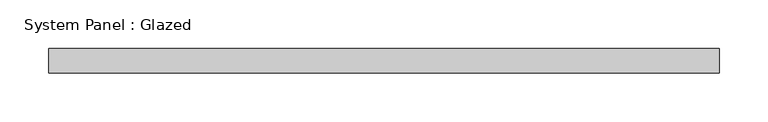
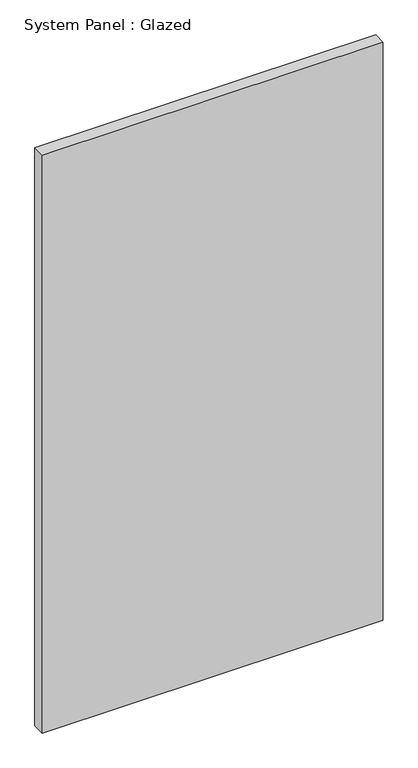
"""IFC4 building model written with IfcOpenShell, lengths in millimetres: plate geometry, System Panel : Glazed."""

from ifc_helpers import new_model, si_unit, origin, origin_with_axes, place, context, project, spatial, polyline, outline, extrude, source, transform, mapped, element, save


def system_panel_glazed_ba3a7396(model_context):
    return source(origin(), model_context, "Body", "SweptSolid", [
        extrude(outline(polyline([(345.3, -88.9), (-345.3, -88.9), (-345.3, -63.5), (345.3, -63.5), (345.3, -88.9)])), origin_with_axes(), (0.0, 0.0, 1.0), 1236.4),
    ])


if __name__ == "__main__":
    model = new_model("IFC4")
    model_context = context("Model", 3, world=origin())
    ifc_project = project(units=[si_unit("LENGTHUNIT", "METRE", prefix="MILLI")], contexts=[model_context])
    site = spatial("IfcSite", under=ifc_project)
    building = spatial("IfcBuilding", under=site)
    placement = place(None, origin())
    system_panel_glazed_shape = system_panel_glazed_ba3a7396(model_context)
    element("IfcPlate", 1, ObjectType="System Panel : Glazed", at=placement, inside=building, context=model_context, shape_type="MappedRepresentation", body=[
        mapped(system_panel_glazed_shape, transform((0.0, 0.0, 0.0), x_axis=(1.0, 0.0, 0.0), y_axis=(0.0, 1.0, 0.0), z_axis=(0.0, 0.0, 1.0))),
    ])
    save(model, "model.ifc")
